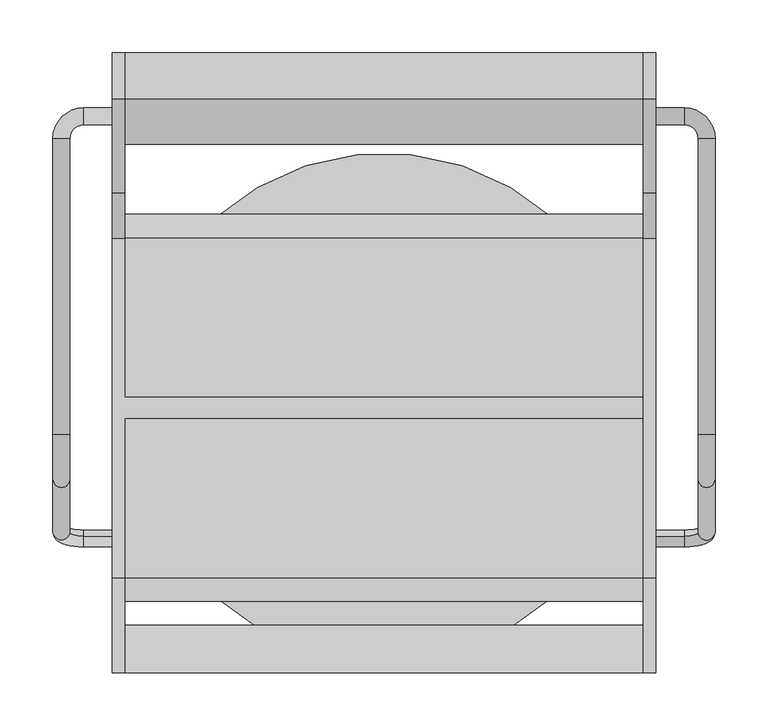
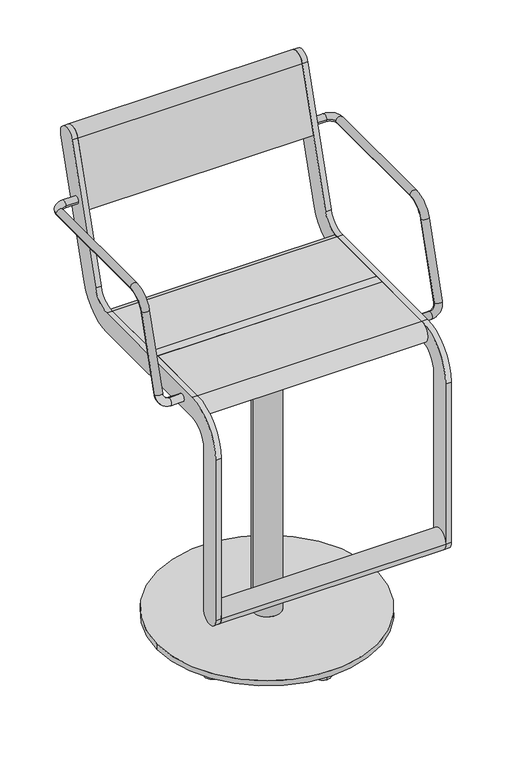
"""IFC4 building model written with IfcOpenShell, lengths in millimetres: furniture geometry."""

from ifc_helpers import new_model, si_unit, point, frame, frame_2d, origin, origin_2d, place, context, project, spatial, polyline, circle_curve, ellipse_curve, trimmed, segment, composite_curve, outline, extrude, source, transform, mapped, element, save
from ifc_brep_helpers import plane_surface, cylinder_surface, revolved_surface, advanced_brep


def furniture_ac9f834a(model_context):
    return source(origin(), model_context, "Body", "SolidModel", [
        extrude(outline(composite_curve([segment(trimmed(circle_curve(frame_2d((-228.4999475, 240.0002133)), 22.4999984), [point((-205.9999492, 240.0002133))], [point((-250.9999459, 240.0002133))], False, "CARTESIAN"), True, "CONTINUOUS"), segment(trimmed(circle_curve(frame_2d((-228.4999475, 240.0002133)), 22.4999984), [point((-250.9999459, 240.0002133))], [point((-205.9999492, 240.0002133))], False, "CARTESIAN"), True, "CONTINUOUS")], self_intersect=False)), frame((-245.0, 0.0, 0.0), z_axis=(1.0, 0.0, 0.0), x_axis=(0.0, 1.0, 0.0)), (0.0, 0.0, 1.0), 490.0),
        extrude(outline(composite_curve([segment(trimmed(circle_curve(frame_2d((312.5544541, 1013.1126327)), 22.5), [point((291.0375971, 1019.6909961))], [point((334.0713112, 1006.5342693))], False, "CARTESIAN"), True, "CONTINUOUS"), segment(polyline([(334.0713112, 1006.5342693), (246.067428, 718.6865378)]), True, "CONTINUOUS"), segment(trimmed(circle_curve(frame_2d((160.0, 744.9999912)), 90.0), [point((246.067428, 718.6865378))], [point((160.0, 654.9999912))], False, "CARTESIAN"), True, "CONTINUOUS"), segment(polyline([(160.0, 654.9999912), (-161.000007, 654.9999912)]), True, "CONTINUOUS"), segment(trimmed(circle_curve(frame_2d((-161.000007, 610.000049)), 44.9999422), [point((-161.000007, 654.9999912))], [point((-205.9999492, 610.000049))], True, "CARTESIAN"), True, "CONTINUOUS"), segment(polyline([(-205.9999492, 610.000049), (-205.9999492, 240.0002133)]), True, "CONTINUOUS"), segment(trimmed(circle_curve(frame_2d((-228.4999475, 240.0002133)), 22.4999984), [point((-205.9999492, 240.0002133))], [point((-250.9999459, 240.0002133))], False, "CARTESIAN"), True, "CONTINUOUS"), segment(polyline([(-250.9999459, 240.0002133), (-250.9999459, 610.0000453)]), True, "CONTINUOUS"), segment(trimmed(circle_curve(frame_2d((-161.0, 610.0000453)), 89.9999459), [point((-250.9999459, 610.0000453))], [point((-161.0, 699.9999912))], False, "CARTESIAN"), True, "CONTINUOUS"), segment(polyline([(-161.0, 699.9999912), (160.0, 699.9999912)]), True, "CONTINUOUS"), segment(trimmed(circle_curve(frame_2d((160.0, 744.9999912)), 45.0), [point((160.0, 699.9999912))], [point((203.033714, 731.8432645))], True, "CARTESIAN"), True, "CONTINUOUS"), segment(polyline([(203.033714, 731.8432645), (291.0375971, 1019.6909961)]), True, "CONTINUOUS")], self_intersect=False)), frame((245.0000214, 0.0, 0.0), z_axis=(1.0, 0.0, 0.0), x_axis=(0.0, 1.0, 0.0)), (0.0, 0.0, 1.0), 12.0),
        advanced_brep(
        [(-257.0, -121.6610264, 685.1504293), (-257.0, -126.3389736, 669.8495532), (-284.0, -126.3389736, 669.8495532), (-284.0, -121.6610264, 685.1504293), (-313.0, -117.8601942, 697.5823911), (-297.0, -117.8601942, 697.5823911), (-313.0, 254.0, 891.4999912), (-313.0, -25.2753858, 891.4999912), (-297.0, -25.2753858, 891.4999912), (-297.0, 254.0, 891.4999912), (-297.0, -68.3090998, 859.6567179), (-313.0, -68.3090998, 859.6567179), (-257.0, 267.0, 891.4999912), (-257.0, 283.0, 891.4999912), (-284.0, 283.0, 891.4999912), (-284.0, 267.0, 891.4999912)],
        [
            (0, 1, circle_curve(frame((-257.0, -124.0, 677.4999912), z_axis=(1.0, 0.0, 0.0), x_axis=(0.0, -0.2923717047227402, -0.9563047559630344)), 8.0)),
            (1, 0, circle_curve(frame((-257.0, -124.0, 677.4999912), z_axis=(1.0, 0.0, 0.0), x_axis=(0.0, -0.2923717047227402, -0.9563047559630344)), 8.0)),
            (1, 2),
            (2, 3, circle_curve(frame((-284.0, -124.0, 677.4999912), z_axis=(1.0, 0.0, 0.0), x_axis=(0.0, -0.2923717047227402, -0.9563047559630344)), 8.0)),
            (3, 0),
            (3, 2, circle_curve(frame((-284.0, -124.0, 677.4999912), z_axis=(1.0, 0.0, 0.0), x_axis=(0.0, -0.2923717047227402, -0.9563047559630344)), 8.0)),
            (2, 4, circle_curve(frame((-284.0, -117.8601942, 697.5823911), z_axis=(0.0, 0.9563047559630344, -0.29237170472274027), x_axis=(0.0, -0.29237170472274027, -0.9563047559630344)), 29.0)),
            (4, 5, circle_curve(frame((-305.0, -117.8601942, 697.5823911), z_axis=(0.0, -0.29237170472274027, -0.9563047559630344), x_axis=(-1.0, 0.0, 0.0)), 8.0)),
            (5, 3, circle_curve(frame((-284.0, -117.8601942, 697.5823911), z_axis=(0.0, -0.9563047559630344, 0.29237170472274027), x_axis=(0.0, -0.29237170472274027, -0.9563047559630344)), 13.0)),
            (5, 4, circle_curve(frame((-305.0, -117.8601942, 697.5823911), z_axis=(0.0, -0.29237170472274027, -0.9563047559630344), x_axis=(-1.0, 0.0, 0.0)), 8.0)),
            (6, 7),
            (7, 8, circle_curve(frame((-305.0, -25.2753858, 891.4999912), z_axis=(0.0, 1.0, 0.0), x_axis=(-1.0, 0.0, 0.0)), 8.0)),
            (8, 9),
            (9, 6, circle_curve(frame((-305.0, 254.0, 891.4999912), z_axis=(0.0, -1.0, 0.0), x_axis=(-1.0, 0.0, 0.0)), 8.0)),
            (6, 9, circle_curve(frame((-305.0, 254.0, 891.4999912), z_axis=(0.0, -1.0, 0.0), x_axis=(-1.0, 0.0, 0.0)), 8.0)),
            (8, 7, circle_curve(frame((-305.0, -25.2753858, 891.4999912), z_axis=(0.0, 1.0, 0.0), x_axis=(-1.0, 0.0, 0.0)), 8.0)),
            (10, 11, circle_curve(frame((-305.0, -68.3090998, 859.6567179), z_axis=(0.0, -0.292371704722738, -0.9563047559630351), x_axis=(-1.0, 0.0, 0.0)), 8.0)),
            (11, 4),
            (5, 10),
            (11, 10, circle_curve(frame((-305.0, -68.3090998, 859.6567179), z_axis=(0.0, -0.292371704722738, -0.9563047559630351), x_axis=(-1.0, 0.0, 0.0)), 8.0)),
            (7, 11, circle_curve(frame((-313.0, -25.2753858, 846.4999912), z_axis=(1.0, 0.0, 0.0), x_axis=(0.0, 0.0, 1.0)), 45.0)),
            (10, 8, circle_curve(frame((-297.0, -25.2753858, 846.4999912), z_axis=(-1.0, 0.0, 0.0), x_axis=(0.0, 0.0, 1.0)), 45.0)),
            (12, 13, circle_curve(frame((-257.0, 275.0, 891.4999912), z_axis=(1.0, 0.0, 0.0), x_axis=(0.0, 1.0, 0.0)), 8.0)),
            (13, 12, circle_curve(frame((-257.0, 275.0, 891.4999912), z_axis=(1.0, 0.0, 0.0), x_axis=(0.0, 1.0, 0.0)), 8.0)),
            (13, 14),
            (14, 15, circle_curve(frame((-284.0, 275.0, 891.4999912), z_axis=(1.0, 0.0, 0.0), x_axis=(0.0, 1.0, 0.0)), 8.0)),
            (15, 12),
            (15, 14, circle_curve(frame((-284.0, 275.0, 891.4999912), z_axis=(1.0, 0.0, 0.0), x_axis=(0.0, 1.0, 0.0)), 8.0)),
            (14, 6, circle_curve(frame((-284.0, 254.0, 891.4999912), z_axis=(0.0, 0.0, 1.0), x_axis=(0.0, 1.0, 0.0)), 29.0)),
            (9, 15, circle_curve(frame((-284.0, 254.0, 891.4999912), z_axis=(0.0, 0.0, -1.0), x_axis=(0.0, 1.0, 0.0)), 13.0)),
        ],
        [
            plane_surface(frame((-257.0, -737.469501, 865.0564398), z_axis=(1.0, 0.0, 0.0), x_axis=(0.0, 0.9563047559630344, -0.29237170472274027))),
            cylinder_surface(frame((-257.0, -124.0, 677.4999912), z_axis=(1.0, 0.0, 0.0), x_axis=(0.0, -0.2923717047227402, -0.9563047559630344)), 8.0),
            revolved_surface(trimmed(ellipse_curve(frame((-284.0, -124.0, 677.4999912), z_axis=(1.0, 0.0, 0.0), x_axis=(0.0, -0.2923717047227402, -0.9563047559630344)), 8.0, 8.0), [point((-284.0, -126.3389736, 669.8495532))], [point((-284.0, -121.6610264, 685.1504293))], True, "CARTESIAN"), (-284.0, -731.3296952, 885.1388397), (0.0, 0.9563047559630344, -0.29237170472274027)),
            revolved_surface(trimmed(ellipse_curve(frame((-284.0, -124.0, 677.4999912), z_axis=(1.0, 0.0, 0.0), x_axis=(0.0, -0.2923717047227402, -0.9563047559630344)), 8.0, 8.0), [point((-284.0, -121.6610264, 685.1504293))], [point((-284.0, -126.3389736, 669.8495532))], True, "CARTESIAN"), (-284.0, -731.3296952, 885.1388397), (0.0, 0.9563047559630344, -0.29237170472274027)),
            cylinder_surface(frame((-305.0, 254.0, 891.4999912), z_axis=(0.0, 1.0, 0.0), x_axis=(-1.0, 0.0, 0.0)), 8.0),
            cylinder_surface(frame((-305.0, -68.3090998, 859.6567179), z_axis=(0.0, 0.292371704722738, 0.9563047559630351), x_axis=(-1.0, 0.0, 0.0)), 8.0),
            revolved_surface(trimmed(ellipse_curve(frame((-305.0, -25.2753858, 891.4999912), z_axis=(0.0, 1.0, 0.0), x_axis=(-1.0, 0.0, 0.0)), 8.0, 8.0), [point((-313.0, -25.2753858, 891.4999912))], [point((-297.0, -25.2753858, 891.4999912))], True, "CARTESIAN"), (0.0, -25.2753858, 846.4999912), (1.0, 0.0, 0.0)),
            revolved_surface(trimmed(ellipse_curve(frame((-305.0, -25.2753858, 891.4999912), z_axis=(0.0, 1.0, 0.0), x_axis=(-1.0, 0.0, 0.0)), 8.0, 8.0), [point((-297.0, -25.2753858, 891.4999912))], [point((-313.0, -25.2753858, 891.4999912))], True, "CARTESIAN"), (0.0, -25.2753858, 846.4999912), (1.0, 0.0, 0.0)),
            plane_surface(frame((-257.0, 275.0, -99.999782), z_axis=(1.0, 0.0, 0.0), x_axis=(0.0, 0.0, 1.0))),
            cylinder_surface(frame((-257.0, 275.0, 891.4999912), z_axis=(1.0, 0.0, 0.0), x_axis=(0.0, 1.0, 0.0)), 8.0),
            revolved_surface(trimmed(ellipse_curve(frame((-284.0, 275.0, 891.4999912), z_axis=(1.0, 0.0, 0.0), x_axis=(0.0, 1.0, 0.0)), 8.0, 8.0), [point((-284.0, 283.0, 891.4999912))], [point((-284.0, 267.0, 891.4999912))], True, "CARTESIAN"), (-284.0, 254.0, -99.999782), (0.0, 0.0, 1.0)),
            revolved_surface(trimmed(ellipse_curve(frame((-284.0, 275.0, 891.4999912), z_axis=(1.0, 0.0, 0.0), x_axis=(0.0, 1.0, 0.0)), 8.0, 8.0), [point((-284.0, 267.0, 891.4999912))], [point((-284.0, 283.0, 891.4999912))], True, "CARTESIAN"), (-284.0, 254.0, -99.999782), (0.0, 0.0, 1.0)),
        ],
        [
            (0, [[1, 2]]),
            (1, [[-2, 3, 4, 5]]),
            (1, [[-1, -5, 6, -3]]),
            (2, [[-4, 7, 8, 9]]),
            (3, [[-6, -9, 10, -7]]),
            (4, [[11, 12, 13, 14]]),
            (4, [[-11, 15, -13, 16]]),
            (5, [[17, 18, -10, 19]]),
            (5, [[-18, 20, -19, -8]]),
            (6, [[-12, 21, -17, 22]]),
            (7, [[-16, -22, -20, -21]]),
            (8, [[23, 24]]),
            (9, [[-24, 25, 26, 27]]),
            (9, [[-23, -27, 28, -25]]),
            (10, [[-26, 29, -14, 30]]),
            (11, [[-28, -30, -15, -29]]),
        ],
    ),
        advanced_brep(
        [(297.0, 254.0, 891.4999912), (297.0, -25.2753858, 891.4999912), (313.0, -25.2753858, 891.4999912), (313.0, 254.0, 891.4999912), (313.0, -68.3090998, 859.6567179), (297.0, -68.3090998, 859.6567179), (297.0, -117.8601942, 697.5823911), (313.0, -117.8601942, 697.5823911), (257.0, 267.0, 891.4999912), (257.0, 283.0, 891.4999912), (284.0, 267.0, 891.4999912), (284.0, 283.0, 891.4999912), (257.0, -121.6610264, 685.1504293), (257.0, -126.3389736, 669.8495532), (284.0, -121.6610264, 685.1504293), (284.0, -126.3389736, 669.8495532)],
        [
            (0, 1),
            (1, 2, circle_curve(frame((305.0, -25.2753858, 891.4999912), z_axis=(0.0, 1.0, 0.0), x_axis=(1.0, 0.0, 0.0)), 8.0)),
            (2, 3),
            (3, 0, circle_curve(frame((305.0, 254.0, 891.4999912), z_axis=(0.0, -1.0, 0.0), x_axis=(1.0, 0.0, 0.0)), 8.0)),
            (0, 3, circle_curve(frame((305.0, 254.0, 891.4999912), z_axis=(0.0, -1.0, 0.0), x_axis=(1.0, 0.0, 0.0)), 8.0)),
            (2, 1, circle_curve(frame((305.0, -25.2753858, 891.4999912), z_axis=(0.0, 1.0, 0.0), x_axis=(1.0, 0.0, 0.0)), 8.0)),
            (4, 5, circle_curve(frame((305.0, -68.3090998, 859.6567179), z_axis=(0.0, -0.292371704722738, -0.9563047559630351), x_axis=(1.0, 0.0, 0.0)), 8.0)),
            (5, 6),
            (6, 7, circle_curve(frame((305.0, -117.8601942, 697.5823911), z_axis=(0.0, 0.292371704722738, 0.9563047559630351), x_axis=(1.0, 0.0, 0.0)), 8.0)),
            (7, 4),
            (5, 4, circle_curve(frame((305.0, -68.3090998, 859.6567179), z_axis=(0.0, -0.292371704722738, -0.9563047559630351), x_axis=(1.0, 0.0, 0.0)), 8.0)),
            (7, 6, circle_curve(frame((305.0, -117.8601942, 697.5823911), z_axis=(0.0, 0.292371704722738, 0.9563047559630351), x_axis=(1.0, 0.0, 0.0)), 8.0)),
            (1, 5, circle_curve(frame((297.0, -25.2753858, 846.4999912), z_axis=(1.0, 0.0, 0.0), x_axis=(0.0, 0.0, 1.0)), 45.0)),
            (4, 2, circle_curve(frame((313.0, -25.2753858, 846.4999912), z_axis=(-1.0, 0.0, 0.0), x_axis=(0.0, 0.0, 1.0)), 45.0)),
            (8, 9, circle_curve(frame((257.0, 275.0, 891.4999912), z_axis=(-1.0, 0.0, 0.0), x_axis=(0.0, 1.0, 0.0)), 8.0)),
            (9, 8, circle_curve(frame((257.0, 275.0, 891.4999912), z_axis=(-1.0, 0.0, 0.0), x_axis=(0.0, 1.0, 0.0)), 8.0)),
            (8, 10),
            (10, 11, circle_curve(frame((284.0, 275.0, 891.4999912), z_axis=(-1.0, 0.0, 0.0), x_axis=(0.0, 1.0, 0.0)), 8.0)),
            (11, 9),
            (11, 10, circle_curve(frame((284.0, 275.0, 891.4999912), z_axis=(-1.0, 0.0, 0.0), x_axis=(0.0, 1.0, 0.0)), 8.0)),
            (10, 0, circle_curve(frame((284.0, 254.0, 891.4999912), z_axis=(0.0, 0.0, -1.0), x_axis=(0.0, 1.0, 0.0)), 13.0)),
            (3, 11, circle_curve(frame((284.0, 254.0, 891.4999912), z_axis=(0.0, 0.0, 1.0), x_axis=(0.0, 1.0, 0.0)), 29.0)),
            (12, 13, circle_curve(frame((257.0, -124.0, 677.4999912), z_axis=(-1.0, 0.0, 0.0), x_axis=(0.0, -0.2923717047227402, -0.9563047559630344)), 8.0)),
            (13, 12, circle_curve(frame((257.0, -124.0, 677.4999912), z_axis=(-1.0, 0.0, 0.0), x_axis=(0.0, -0.2923717047227402, -0.9563047559630344)), 8.0)),
            (12, 14),
            (14, 15, circle_curve(frame((284.0, -124.0, 677.4999912), z_axis=(-1.0, 0.0, 0.0), x_axis=(0.0, -0.2923717047227402, -0.9563047559630344)), 8.0)),
            (15, 13),
            (15, 14, circle_curve(frame((284.0, -124.0, 677.4999912), z_axis=(-1.0, 0.0, 0.0), x_axis=(0.0, -0.2923717047227402, -0.9563047559630344)), 8.0)),
            (14, 6, circle_curve(frame((284.0, -117.8601942, 697.5823911), z_axis=(0.0, -0.9563047559630344, 0.2923717047227402), x_axis=(0.0, -0.2923717047227402, -0.9563047559630344)), 13.0)),
            (7, 15, circle_curve(frame((284.0, -117.8601942, 697.5823911), z_axis=(0.0, 0.9563047559630344, -0.2923717047227402), x_axis=(0.0, -0.2923717047227402, -0.9563047559630344)), 29.0)),
        ],
        [
            cylinder_surface(frame((305.0, 254.0, 891.4999912), z_axis=(0.0, 1.0, 0.0), x_axis=(1.0, 0.0, 0.0)), 8.0),
            cylinder_surface(frame((305.0, -68.3090998, 859.6567179), z_axis=(0.0, 0.292371704722738, 0.9563047559630351), x_axis=(1.0, 0.0, 0.0)), 8.0),
            revolved_surface(trimmed(ellipse_curve(frame((305.0, -25.2753858, 891.4999912), z_axis=(0.0, 1.0, 0.0), x_axis=(1.0, 0.0, 0.0)), 8.0, 8.0), [point((297.0, -25.2753858, 891.4999912))], [point((313.0, -25.2753858, 891.4999912))], True, "CARTESIAN"), (0.0, -25.2753858, 846.4999912), (1.0, 0.0, 0.0)),
            revolved_surface(trimmed(ellipse_curve(frame((305.0, -25.2753858, 891.4999912), z_axis=(0.0, 1.0, 0.0), x_axis=(1.0, 0.0, 0.0)), 8.0, 8.0), [point((313.0, -25.2753858, 891.4999912))], [point((297.0, -25.2753858, 891.4999912))], True, "CARTESIAN"), (0.0, -25.2753858, 846.4999912), (1.0, 0.0, 0.0)),
            plane_surface(frame((257.0, 275.0, -99.999782), z_axis=(-1.0, 0.0, 0.0), x_axis=(0.0, 0.0, 1.0))),
            cylinder_surface(frame((257.0, 275.0, 891.4999912), z_axis=(-1.0, 0.0, 0.0), x_axis=(0.0, 1.0, 0.0)), 8.0),
            revolved_surface(trimmed(ellipse_curve(frame((284.0, 275.0, 891.4999912), z_axis=(-1.0, 0.0, 0.0), x_axis=(0.0, 1.0, 0.0)), 8.0, 8.0), [point((284.0, 267.0, 891.4999912))], [point((284.0, 283.0, 891.4999912))], True, "CARTESIAN"), (284.0, 254.0, -99.999782), (0.0, 0.0, -1.0)),
            revolved_surface(trimmed(ellipse_curve(frame((284.0, 275.0, 891.4999912), z_axis=(-1.0, 0.0, 0.0), x_axis=(0.0, 1.0, 0.0)), 8.0, 8.0), [point((284.0, 283.0, 891.4999912))], [point((284.0, 267.0, 891.4999912))], True, "CARTESIAN"), (284.0, 254.0, -99.999782), (0.0, 0.0, -1.0)),
            plane_surface(frame((257.0, -737.469501, 865.0564398), z_axis=(-1.0, 0.0, 0.0), x_axis=(0.0, 0.9563047559630344, -0.2923717047227402))),
            cylinder_surface(frame((257.0, -124.0, 677.4999912), z_axis=(-1.0, 0.0, 0.0), x_axis=(0.0, -0.2923717047227402, -0.9563047559630344)), 8.0),
            revolved_surface(trimmed(ellipse_curve(frame((284.0, -124.0, 677.4999912), z_axis=(-1.0, 0.0, 0.0), x_axis=(0.0, -0.2923717047227402, -0.9563047559630344)), 8.0, 8.0), [point((284.0, -121.6610264, 685.1504293))], [point((284.0, -126.3389736, 669.8495532))], True, "CARTESIAN"), (284.0, -731.3296952, 885.1388397), (0.0, -0.9563047559630344, 0.2923717047227402)),
            revolved_surface(trimmed(ellipse_curve(frame((284.0, -124.0, 677.4999912), z_axis=(-1.0, 0.0, 0.0), x_axis=(0.0, -0.2923717047227402, -0.9563047559630344)), 8.0, 8.0), [point((284.0, -126.3389736, 669.8495532))], [point((284.0, -121.6610264, 685.1504293))], True, "CARTESIAN"), (284.0, -731.3296952, 885.1388397), (0.0, -0.9563047559630344, 0.2923717047227402)),
        ],
        [
            (0, [[1, 2, 3, 4]]),
            (0, [[-1, 5, -3, 6]]),
            (1, [[7, 8, 9, 10]]),
            (1, [[-8, 11, -10, 12]]),
            (2, [[-2, 13, -7, 14]]),
            (3, [[-6, -14, -11, -13]]),
            (4, [[15, 16]]),
            (5, [[-15, 17, 18, 19]]),
            (5, [[-16, -19, 20, -17]]),
            (6, [[-18, 21, -4, 22]]),
            (7, [[-20, -22, -5, -21]]),
            (8, [[23, 24]]),
            (9, [[-23, 25, 26, 27]]),
            (9, [[-24, -27, 28, -25]]),
            (10, [[-26, 29, -12, 30]]),
            (11, [[-28, -30, -9, -29]]),
        ],
    ),
        advanced_brep(
        [(-245.0, 291.0375971, 1019.6909961), (-245.0, 203.033714, 731.8432645), (-245.0, 160.0, 699.9999912), (-245.0, 9.5, 699.9999912), (-245.0, 9.5, 654.9999912), (-245.0, 160.0, 654.9999912), (-245.0, 246.067428, 718.6865378), (-245.0, 334.0713112, 1006.5342693), (-245.0, -161.0, 699.9999912), (-245.0, -250.9999459, 610.0000453), (-245.0, -250.9999459, 240.0002133), (-245.0, -205.9999492, 240.0002133), (-245.0, -205.9999492, 610.000049), (-245.0, -161.000007, 654.9999912), (-245.0, -10.5, 654.9999912), (-245.0, -10.5, 699.9999912), (-257.0, 291.0375971, 1019.6909961), (-257.0, 334.0713112, 1006.5342693), (-257.0, 246.067428, 718.6865378), (-257.0, 160.0, 654.9999912), (-257.0, -161.000007, 654.9999912), (-257.0, -205.9999492, 610.000049), (-257.0, -205.9999492, 240.0002133), (-257.0, -250.9999459, 240.0002133), (-257.0, -250.9999459, 610.0000453), (-257.0, -161.0, 699.9999912), (-257.0, 160.0, 699.9999912), (-257.0, 203.033714, 731.8432645), (245.0, -10.5, 699.9999912), (245.0, 9.5, 699.9999912), (245.0, 9.5, 654.9999912), (245.0, -10.5, 654.9999912)],
        [
            (0, 1),
            (1, 2, circle_curve(frame((-245.0, 160.0, 744.9999912), z_axis=(-1.0, 0.0, 0.0), x_axis=(0.0, -1.0, 0.0)), 45.0)),
            (2, 3),
            (3, 4),
            (4, 5),
            (5, 6, circle_curve(frame((-245.0, 160.0, 744.9999912), z_axis=(1.0, 0.0, 0.0), x_axis=(0.0, -1.0, 0.0)), 90.0)),
            (6, 7),
            (7, 0, circle_curve(frame((-245.0, 312.5544541, 1013.1126327), z_axis=(1.0, 0.0, 0.0), x_axis=(0.0, -1.0, 0.0)), 22.5)),
            (8, 9, circle_curve(frame((-245.0, -161.0, 610.0000453), z_axis=(1.0, 0.0, 0.0), x_axis=(0.0, -1.0, 0.0)), 89.9999459)),
            (9, 10),
            (10, 11, circle_curve(frame((-245.0, -228.4999475, 240.0002133), z_axis=(1.0, 0.0, 0.0), x_axis=(0.0, -1.0, 0.0)), 22.4999984)),
            (11, 12),
            (12, 13, circle_curve(frame((-245.0, -161.000007, 610.000049), z_axis=(-1.0, 0.0, 0.0), x_axis=(0.0, -1.0, 0.0)), 44.9999422)),
            (13, 14),
            (14, 15),
            (15, 8),
            (16, 17, circle_curve(frame((-257.0, 312.5544541, 1013.1126327), z_axis=(-1.0, 0.0, 0.0), x_axis=(0.0, -1.0, 0.0)), 22.5)),
            (17, 18),
            (18, 19, circle_curve(frame((-257.0, 160.0, 744.9999912), z_axis=(-1.0, 0.0, 0.0), x_axis=(0.0, -1.0, 0.0)), 90.0)),
            (19, 20),
            (20, 21, circle_curve(frame((-257.0, -161.000007, 610.000049), z_axis=(1.0, 0.0, 0.0), x_axis=(0.0, -1.0, 0.0)), 44.9999422)),
            (21, 22),
            (22, 23, circle_curve(frame((-257.0, -228.4999475, 240.0002133), z_axis=(-1.0, 0.0, 0.0), x_axis=(0.0, -1.0, 0.0)), 22.4999984)),
            (23, 24),
            (24, 25, circle_curve(frame((-257.0, -161.0, 610.0000453), z_axis=(-1.0, 0.0, 0.0), x_axis=(0.0, -1.0, 0.0)), 89.9999459)),
            (25, 26),
            (26, 27, circle_curve(frame((-257.0, 160.0, 744.9999912), z_axis=(1.0, 0.0, 0.0), x_axis=(0.0, -1.0, 0.0)), 45.0)),
            (27, 16),
            (0, 16),
            (27, 1),
            (26, 2),
            (25, 8),
            (15, 28),
            (28, 29),
            (29, 3),
            (19, 5),
            (4, 30),
            (30, 31),
            (31, 14),
            (13, 20),
            (18, 6),
            (17, 7),
            (28, 31),
            (30, 29),
            (24, 9),
            (23, 10),
            (22, 11),
            (21, 12),
        ],
        [
            plane_surface(frame((-245.0, 203.033714, 731.8432645), z_axis=(1.0, 0.0, 0.0), x_axis=(0.0, -0.2923717047227337, -0.9563047559630364))),
            plane_surface(frame((-257.0, 203.033714, 731.8432645), z_axis=(-1.0, 0.0, 0.0), x_axis=(0.0, 0.2923717047227337, 0.9563047559630364))),
            plane_surface(frame((-245.0, 291.0375971, 1019.6909961), z_axis=(0.0, -0.9563047559630364, 0.2923717047227337), x_axis=(-1.0, 0.0, 0.0))),
            revolved_surface(polyline([(-257.0, 115.0, 744.9999912), (-245.0, 115.0, 744.9999912)]), (-257.0, 160.0, 744.9999912), (-1.0, 0.0, 0.0)),
            plane_surface(frame((-245.0, 160.0, 699.9999912), z_axis=(0.0, 0.0, 1.0), x_axis=(-1.0, 0.0, 0.0))),
            plane_surface(frame((-245.0, -161.000007, 654.9999912), z_axis=(0.0, 0.0, -1.0), x_axis=(-1.0, 0.0, 0.0))),
            cylinder_surface(frame((-257.0, 160.0, 744.9999912), z_axis=(1.0, 0.0, 0.0), x_axis=(0.0, -1.0, 0.0)), 90.0),
            plane_surface(frame((-245.0, 246.067428, 718.6865378), z_axis=(0.0, 0.9563047559630364, -0.2923717047227337), x_axis=(-1.0, 0.0, 0.0))),
            cylinder_surface(frame((-257.0, 312.5544541, 1013.1126327), z_axis=(1.0, 0.0, 0.0), x_axis=(0.0, -1.0, 0.0)), 22.5),
            plane_surface(frame((245.0, -10.5, 699.9999912), z_axis=(1.0, 0.0, 0.0), x_axis=(0.0, -1.0, 0.0))),
            plane_surface(frame((245.0, -10.5, 699.9999912), z_axis=(0.0, -1.0, 0.0), x_axis=(-1.0, 0.0, 0.0))),
            plane_surface(frame((245.0, 9.5, 654.9999912), z_axis=(0.0, 1.0, 0.0), x_axis=(-1.0, 0.0, 0.0))),
            cylinder_surface(frame((-257.0, -161.0, 610.0000453), z_axis=(1.0, 0.0, 0.0), x_axis=(0.0, -1.0, 0.0)), 89.9999459),
            plane_surface(frame((-245.0, -250.9999459, 610.0000453), z_axis=(0.0, -1.0, 0.0), x_axis=(-1.0, 0.0, 0.0))),
            cylinder_surface(frame((-257.0, -228.4999475, 240.0002133), z_axis=(1.0, 0.0, 0.0), x_axis=(0.0, -1.0, 0.0)), 22.4999984),
            plane_surface(frame((-245.0, -205.9999492, 240.0002133), z_axis=(0.0, 1.0, 0.0), x_axis=(-1.0, 0.0, 0.0))),
            revolved_surface(polyline([(-257.0, -205.9999492, 610.000049), (-245.0, -205.9999492, 610.000049)]), (-257.0, -161.000007, 610.000049), (-1.0, 0.0, 0.0)),
        ],
        [
            (0, [[1, 2, 3, 4, 5, 6, 7, 8]]),
            (0, [[9, 10, 11, 12, 13, 14, 15, 16]]),
            (1, [[17, 18, 19, 20, 21, 22, 23, 24, 25, 26, 27, 28]]),
            (2, [[-1, 29, -28, 30]]),
            (3, [[-2, -30, -27, 31]]),
            (4, [[-26, 32, -16, 33, 34, 35, -3, -31]]),
            (5, [[-20, 36, -5, 37, 38, 39, -14, 40]]),
            (6, [[-6, -36, -19, 41]]),
            (7, [[-7, -41, -18, 42]]),
            (8, [[-8, -42, -17, -29]]),
            (9, [[-34, 43, -38, 44]]),
            (10, [[-43, -33, -15, -39]]),
            (11, [[-44, -37, -4, -35]]),
            (12, [[-9, -32, -25, 45]]),
            (13, [[-10, -45, -24, 46]]),
            (14, [[-11, -46, -23, 47]]),
            (15, [[-12, -47, -22, 48]]),
            (16, [[-13, -48, -21, -40]]),
        ],
    ),
        extrude(outline(composite_curve([segment(trimmed(circle_curve(frame_2d((312.5544541, 1013.1126327)), 22.5), [point((291.0375971, 1019.6909961))], [point((334.0713112, 1006.5342693))], False, "CARTESIAN"), True, "CONTINUOUS"), segment(polyline([(334.0713112, 1006.5342693), (291.5312281, 867.3919274), (248.4975141, 880.5486541), (291.0375971, 1019.6909961)]), True, "CONTINUOUS")], self_intersect=False)), frame((-245.0, 0.0, 0.0), z_axis=(1.0, 0.0, 0.0), x_axis=(0.0, 1.0, 0.0)), (0.0, 0.0, 1.0), 490.0),
        extrude(outline(composite_curve([segment(polyline([(9.5, 654.9999912), (9.5, 699.9999912), (160.0, 699.9999912)]), True, "CONTINUOUS"), segment(trimmed(circle_curve(frame_2d((160.0, 677.4999912)), 22.5), [point((160.0, 699.9999912))], [point((160.0, 654.9999912))], False, "CARTESIAN"), True, "CONTINUOUS"), segment(polyline([(160.0, 654.9999912), (9.5, 654.9999912)]), True, "CONTINUOUS")], self_intersect=False)), frame((-245.0, 0.0, 0.0), z_axis=(1.0, 0.0, 0.0), x_axis=(0.0, 1.0, 0.0)), (0.0, 0.0, 1.0), 490.0),
        extrude(outline(composite_curve([segment(polyline([(-10.5, 654.9999912), (-161.0, 654.9999912)]), True, "CONTINUOUS"), segment(trimmed(circle_curve(frame_2d((-161.0, 677.4999912)), 22.5), [point((-161.0, 654.9999912))], [point((-161.0, 699.9999912))], False, "CARTESIAN"), True, "CONTINUOUS"), segment(polyline([(-161.0, 699.9999912), (-10.5, 699.9999912), (-10.5, 654.9999912)]), True, "CONTINUOUS")], self_intersect=False)), frame((-245.0, 0.0, 0.0), z_axis=(1.0, 0.0, 0.0), x_axis=(0.0, 1.0, 0.0)), (0.0, 0.0, 1.0), 490.0),
        extrude(outline(composite_curve([segment(trimmed(circle_curve(origin_2d(), 40.0), [point((-40.0, 0.0))], [point((40.0, 0.0))], False, "CARTESIAN"), True, "CONTINUOUS"), segment(trimmed(circle_curve(origin_2d(), 40.0), [point((40.0, 0.0))], [point((-40.0, 0.0))], False, "CARTESIAN"), True, "CONTINUOUS")], self_intersect=False)), frame((0.0, 0.0, 578.999979), z_axis=(0.0, 0.0, 1.0), x_axis=(1.0, 0.0, 0.0)), (0.0, 0.0, 1.0), 60.0000441),
        extrude(outline(polyline([(75.0, 125.0), (75.0, -125.0), (-75.0, -125.0), (-75.0, 125.0), (75.0, 125.0)])), frame((0.0, 0.0, 639.0000231), z_axis=(0.0, 0.0, 1.0), x_axis=(1.0, 0.0, 0.0)), (0.0, 0.0, 1.0), 15.9999681),
        advanced_brep(
        [(-30.0, 0.0, 578.999979), (30.0, 0.0, 578.999979), (-30.0, 0.0, 27.0), (30.0, 0.0, 27.0), (-240.0, 0.0, 27.0), (240.0, 0.0, 27.0), (-240.0, 0.0, 15.0), (240.0, 0.0, 15.0), (0.0, 227.9750039, 15.0), (0.0, 193.9750039, 15.0), (180.0, -121.1370998, 15.0), (180.0, -87.1370998, 15.0), (0.0, -227.9750039, 15.0), (0.0, -193.9750039, 15.0), (-180.0, -121.1370998, 15.0), (-180.0, -87.1370998, 15.0), (180.0, 121.1370998, 15.0), (180.0, 87.1370998, 15.0), (-180.0, 121.1370998, 15.0), (-180.0, 87.1370998, 15.0), (0.0, 227.9750039, 0.0), (0.0, 193.9750039, 0.0), (180.0, -121.1370998, 0.0), (180.0, -87.1370998, 0.0), (0.0, -227.9750039, 0.0), (0.0, -193.9750039, 0.0), (-180.0, -121.1370998, 0.0), (-180.0, -87.1370998, 0.0), (180.0, 121.1370998, 0.0), (180.0, 87.1370998, 0.0), (-180.0, 121.1370998, 0.0), (-180.0, 87.1370998, 0.0)],
        [
            (0, 1, circle_curve(frame((0.0, 0.0, 578.999979), z_axis=(0.0, 0.0, 1.0), x_axis=(1.0, 0.0, 0.0)), 30.0)),
            (1, 0, circle_curve(frame((0.0, 0.0, 578.999979), z_axis=(0.0, 0.0, 1.0), x_axis=(1.0, 0.0, 0.0)), 30.0)),
            (0, 2),
            (2, 3, circle_curve(frame((0.0, 0.0, 27.0), z_axis=(0.0, 0.0, 1.0), x_axis=(1.0, 0.0, 0.0)), 30.0)),
            (3, 1),
            (3, 2, circle_curve(frame((0.0, 0.0, 27.0), z_axis=(0.0, 0.0, 1.0), x_axis=(1.0, 0.0, 0.0)), 30.0)),
            (4, 5, circle_curve(frame((0.0, 0.0, 27.0), z_axis=(0.0, 0.0, 1.0), x_axis=(1.0, 0.0, 0.0)), 240.0)),
            (5, 4, circle_curve(frame((0.0, 0.0, 27.0), z_axis=(0.0, 0.0, 1.0), x_axis=(1.0, 0.0, 0.0)), 240.0)),
            (6, 7, circle_curve(frame((0.0, 0.0, 15.0), z_axis=(0.0, 0.0, -1.0), x_axis=(1.0, 0.0, 0.0)), 240.0)),
            (7, 6, circle_curve(frame((0.0, 0.0, 15.0), z_axis=(0.0, 0.0, -1.0), x_axis=(1.0, 0.0, 0.0)), 240.0)),
            (8, 9, circle_curve(frame((0.0, 210.9750039, 15.0), z_axis=(0.0, 0.0, 1.0), x_axis=(0.0, -1.0, 0.0)), 17.0)),
            (9, 8, circle_curve(frame((0.0, 210.9750039, 15.0), z_axis=(0.0, 0.0, 1.0), x_axis=(0.0, -1.0, 0.0)), 17.0)),
            (10, 11, circle_curve(frame((180.0, -104.1370998, 15.0), z_axis=(0.0, 0.0, 1.0), x_axis=(0.0, 1.0, 0.0)), 17.0)),
            (11, 10, circle_curve(frame((180.0, -104.1370998, 15.0), z_axis=(0.0, 0.0, 1.0), x_axis=(0.0, 1.0, 0.0)), 17.0)),
            (12, 13, circle_curve(frame((0.0, -210.9750039, 15.0), z_axis=(0.0, 0.0, 1.0), x_axis=(0.0, 1.0, 0.0)), 17.0)),
            (13, 12, circle_curve(frame((0.0, -210.9750039, 15.0), z_axis=(0.0, 0.0, 1.0), x_axis=(0.0, 1.0, 0.0)), 17.0)),
            (14, 15, circle_curve(frame((-180.0, -104.1370998, 15.0), z_axis=(0.0, 0.0, 1.0), x_axis=(0.0, 1.0, 0.0)), 17.0)),
            (15, 14, circle_curve(frame((-180.0, -104.1370998, 15.0), z_axis=(0.0, 0.0, 1.0), x_axis=(0.0, 1.0, 0.0)), 17.0)),
            (16, 17, circle_curve(frame((180.0, 104.1370998, 15.0), z_axis=(0.0, 0.0, 1.0), x_axis=(0.0, -1.0, 0.0)), 17.0)),
            (17, 16, circle_curve(frame((180.0, 104.1370998, 15.0), z_axis=(0.0, 0.0, 1.0), x_axis=(0.0, -1.0, 0.0)), 17.0)),
            (18, 19, circle_curve(frame((-180.0, 104.1370998, 15.0), z_axis=(0.0, 0.0, 1.0), x_axis=(0.0, -1.0, 0.0)), 17.0)),
            (19, 18, circle_curve(frame((-180.0, 104.1370998, 15.0), z_axis=(0.0, 0.0, 1.0), x_axis=(0.0, -1.0, 0.0)), 17.0)),
            (20, 21, circle_curve(frame((0.0, 210.9750039, 0.0), z_axis=(0.0, 0.0, -1.0), x_axis=(0.0, -1.0, 0.0)), 17.0)),
            (21, 20, circle_curve(frame((0.0, 210.9750039, 0.0), z_axis=(0.0, 0.0, -1.0), x_axis=(0.0, -1.0, 0.0)), 17.0)),
            (22, 23, circle_curve(frame((180.0, -104.1370998, 0.0), z_axis=(0.0, 0.0, -1.0), x_axis=(0.0, 1.0, 0.0)), 17.0)),
            (23, 22, circle_curve(frame((180.0, -104.1370998, 0.0), z_axis=(0.0, 0.0, -1.0), x_axis=(0.0, 1.0, 0.0)), 17.0)),
            (24, 25, circle_curve(frame((0.0, -210.9750039, 0.0), z_axis=(0.0, 0.0, -1.0), x_axis=(0.0, 1.0, 0.0)), 17.0)),
            (25, 24, circle_curve(frame((0.0, -210.9750039, 0.0), z_axis=(0.0, 0.0, -1.0), x_axis=(0.0, 1.0, 0.0)), 17.0)),
            (26, 27, circle_curve(frame((-180.0, -104.1370998, 0.0), z_axis=(0.0, 0.0, -1.0), x_axis=(0.0, 1.0, 0.0)), 17.0)),
            (27, 26, circle_curve(frame((-180.0, -104.1370998, 0.0), z_axis=(0.0, 0.0, -1.0), x_axis=(0.0, 1.0, 0.0)), 17.0)),
            (28, 29, circle_curve(frame((180.0, 104.1370998, 0.0), z_axis=(0.0, 0.0, -1.0), x_axis=(0.0, -1.0, 0.0)), 17.0)),
            (29, 28, circle_curve(frame((180.0, 104.1370998, 0.0), z_axis=(0.0, 0.0, -1.0), x_axis=(0.0, -1.0, 0.0)), 17.0)),
            (30, 31, circle_curve(frame((-180.0, 104.1370998, 0.0), z_axis=(0.0, 0.0, -1.0), x_axis=(0.0, -1.0, 0.0)), 17.0)),
            (31, 30, circle_curve(frame((-180.0, 104.1370998, 0.0), z_axis=(0.0, 0.0, -1.0), x_axis=(0.0, -1.0, 0.0)), 17.0)),
            (21, 9),
            (8, 20),
            (23, 11),
            (10, 22),
            (4, 6),
            (7, 5),
            (25, 13),
            (12, 24),
            (27, 15),
            (14, 26),
            (29, 17),
            (16, 28),
            (31, 19),
            (18, 30),
        ],
        [
            plane_surface(frame((30.0, 0.0, 578.999979), z_axis=(0.0, 0.0, 1.0), x_axis=(0.0, 1.0, 0.0))),
            cylinder_surface(frame((0.0, 0.0, 27.0), z_axis=(0.0, 0.0, 1.0), x_axis=(1.0, 0.0, 0.0)), 30.0),
            plane_surface(frame((240.0, 0.0, 27.0), z_axis=(0.0, 0.0, 1.0), x_axis=(0.0, 1.0, 0.0))),
            plane_surface(frame((240.0, 0.0, 15.0), z_axis=(0.0, 0.0, -1.0), x_axis=(0.0, -1.0, 0.0))),
            plane_surface(frame((0.0, 193.9750039, 0.0), z_axis=(0.0, 0.0, -1.0), x_axis=(-1.0, 0.0, 0.0))),
            cylinder_surface(frame((0.0, 210.9750039, 0.0), z_axis=(0.0, 0.0, 1.0), x_axis=(0.0, -1.0, 0.0)), 17.0),
            cylinder_surface(frame((180.0, -104.1370998, 0.0), z_axis=(0.0, 0.0, 1.0), x_axis=(0.0, 1.0, 0.0)), 17.0),
            cylinder_surface(frame((0.0, 0.0, 15.0), z_axis=(0.0, 0.0, 1.0), x_axis=(1.0, 0.0, 0.0)), 240.0),
            cylinder_surface(frame((0.0, -210.9750039, 0.0), z_axis=(0.0, 0.0, 1.0), x_axis=(0.0, 1.0, 0.0)), 17.0),
            cylinder_surface(frame((-180.0, -104.1370998, 0.0), z_axis=(0.0, 0.0, 1.0), x_axis=(0.0, 1.0, 0.0)), 17.0),
            cylinder_surface(frame((180.0, 104.1370998, 0.0), z_axis=(0.0, 0.0, 1.0), x_axis=(0.0, -1.0, 0.0)), 17.0),
            cylinder_surface(frame((-180.0, 104.1370998, 0.0), z_axis=(0.0, 0.0, 1.0), x_axis=(0.0, -1.0, 0.0)), 17.0),
        ],
        [
            (0, [[1, 2]]),
            (1, [[-1, 3, 4, 5]]),
            (1, [[-2, -5, 6, -3]]),
            (2, [[7, 8], [-4, -6]]),
            (3, [[9, 10], [11, 12], [13, 14], [15, 16], [17, 18], [19, 20], [21, 22]]),
            (4, [[23, 24]]),
            (4, [[25, 26]]),
            (4, [[27, 28]]),
            (4, [[29, 30]]),
            (4, [[31, 32]]),
            (4, [[33, 34]]),
            (5, [[-24, 35, -11, 36]]),
            (5, [[-23, -36, -12, -35]]),
            (6, [[-26, 37, -13, 38]]),
            (6, [[-25, -38, -14, -37]]),
            (7, [[-7, 39, -10, 40]]),
            (7, [[-8, -40, -9, -39]]),
            (8, [[-28, 41, -15, 42]]),
            (8, [[-27, -42, -16, -41]]),
            (9, [[-30, 43, -17, 44]]),
            (9, [[-29, -44, -18, -43]]),
            (10, [[-32, 45, -19, 46]]),
            (10, [[-31, -46, -20, -45]]),
            (11, [[-34, 47, -21, 48]]),
            (11, [[-33, -48, -22, -47]]),
        ],
    ),
    ])


if __name__ == "__main__":
    model = new_model("IFC4")
    model_context = context("Model", 3, world=origin())
    ifc_project = project(units=[si_unit("LENGTHUNIT", "METRE", prefix="MILLI")], contexts=[model_context])
    site = spatial("IfcSite", under=ifc_project)
    building = spatial("IfcBuilding", under=site)
    placement = place(None, origin())
    furniture_shape = furniture_ac9f834a(model_context)
    element("IfcFurniture", 1, at=placement, inside=building, context=model_context, shape_type="MappedRepresentation", body=[
        mapped(furniture_shape, transform((0.0, 0.0, 0.0), x_axis=(1.0, 0.0, 0.0), y_axis=(0.0, 1.0, 0.0), z_axis=(0.0, 0.0, 1.0))),
    ])
    save(model, "model.ifc")
